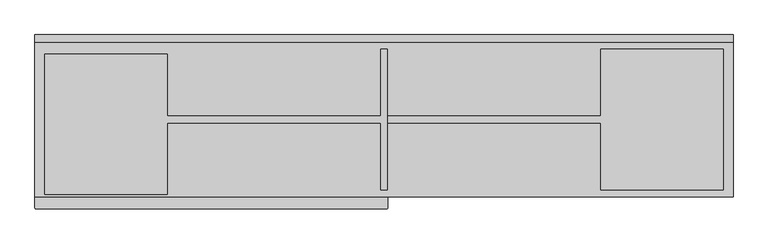
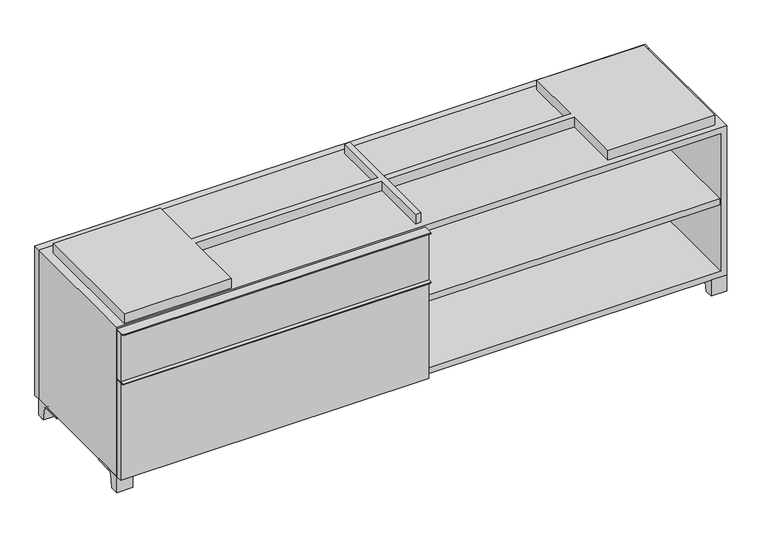
"""IFC4 building model written with IfcOpenShell, lengths in millimetres: furniture geometry."""

import ifcopenshell
import ifcopenshell.guid

model = None  # the IFC model being written
_history = None  # IfcOwnerHistory: only IFC2X3 demands one
_inside = {}  # id of a spatial element -> (the spatial element, [elements in it])
_under = {}  # id of a project, library or spatial element -> (it, [spatial elements below it])
_declared = {}  # id of a project -> (the project, [libraries it declares])
_typed = {}  # id of a type object -> (the type object, [elements of that type])
_made_of = {}  # id of a material, layer set ... -> (it, [elements and type objects made of it])


def new_model(schema):
    """Start an empty IFC model of exactly this schema.

    Asked for "IFC4X3", IfcOpenShell would pick the latest addendum, in which some entities
    have other attributes; the version numbers below select the first issue.
    IFC2X3 requires an IfcOwnerHistory on every rooted entity: one is made here for all.
    """
    global model, _history
    if schema == "IFC4X3":
        model = ifcopenshell.file(schema_version=(4, 3, 0, 0))
    else:
        model = ifcopenshell.file(schema=schema)
    _inside.clear()
    _under.clear()
    _declared.clear()
    _typed.clear()
    _made_of.clear()
    _history = None
    if model.schema == "IFC2X3":
        org = make("IfcOrganization", Name="unknown")
        user = make(
            "IfcPersonAndOrganization",
            ThePerson=make("IfcPerson", FamilyName="unknown"),
            TheOrganization=org,
        )
        app = make(
            "IfcApplication",
            ApplicationDeveloper=org,
            Version="unknown",
            ApplicationFullName="unknown",
            ApplicationIdentifier="unknown",
        )
        _history = make(
            "IfcOwnerHistory",
            OwningUser=user,
            OwningApplication=app,
            ChangeAction="ADDED",
            CreationDate=0,
        )
    return model


def make(cls, **values):
    """One entity of the class cls with the attributes given. An attribute that is None is left unset."""
    return model.create_entity(
        cls, **{name: value for name, value in values.items() if value is not None}
    )


def rooted(cls, **values):
    """An entity with a GlobalId (a new one), such as an element, a storey or a relation."""
    return make(cls, GlobalId=ifcopenshell.guid.new(), OwnerHistory=_history, **values)


def si_unit(unit_type, name, prefix=None):
    """IfcSIUnit, for example si_unit("LENGTHUNIT", "METRE", prefix="MILLI")."""
    return make("IfcSIUnit", UnitType=unit_type, Prefix=prefix, Name=name)


def assignment(units):
    """IfcUnitAssignment: the units of a project."""
    return None if units is None else make("IfcUnitAssignment", Units=units)


def point(xyz):
    """IfcCartesianPoint."""
    return None if xyz is None else make("IfcCartesianPoint", Coordinates=xyz)


def direction(xyz):
    """IfcDirection."""
    return None if xyz is None else make("IfcDirection", DirectionRatios=xyz)


def frame(location, z_axis=None, x_axis=None):
    """IfcAxis2Placement3D, a coordinate frame: its origin and axes. An axis left out is left unset."""
    return make(
        "IfcAxis2Placement3D",
        Location=point(location),
        Axis=direction(z_axis),
        RefDirection=direction(x_axis),
    )


def frame_2d(location, x_axis=None):
    """IfcAxis2Placement2D, a coordinate frame in the plane: its origin and x axis."""
    return make(
        "IfcAxis2Placement2D", Location=point(location), RefDirection=direction(x_axis)
    )


def origin():
    """The frame at (0, 0, 0) with its axes left unset."""
    return frame((0.0, 0.0, 0.0))


def place(relative_to, where):
    """IfcLocalPlacement: puts the frame where relative to a parent placement (None: the world)."""
    return make(
        "IfcLocalPlacement", PlacementRelTo=relative_to, RelativePlacement=where
    )


def context(
    kind, dimensions, precision=None, world=None, true_north=None, identifier=None
):
    """IfcGeometricRepresentationContext, for example the 3D "Model" context."""
    return make(
        "IfcGeometricRepresentationContext",
        ContextIdentifier=identifier,
        ContextType=kind,
        CoordinateSpaceDimension=dimensions,
        Precision=precision,
        WorldCoordinateSystem=world,
        TrueNorth=true_north,
    )


def project(units=None, contexts=None):
    """IfcProject with its units and contexts."""
    return rooted(
        "IfcProject",
        Name="project",
        RepresentationContexts=contexts,
        UnitsInContext=assignment(units),
    )


def spatial(cls, under=None, at=None, **own):
    """A site, building, storey or space (cls), placed at a placement, below another one or the project."""
    s = rooted(cls, ObjectPlacement=at, **own)
    if under is not None:
        _under.setdefault(under.id(), (under, []))[1].append(s)
    return s


def polyline(points):
    """IfcPolyline through the points."""
    return make("IfcPolyline", Points=[point(p) for p in points])


def circle_curve(where, radius):
    """IfcCircle in the frame where."""
    return make("IfcCircle", Position=where, Radius=radius)


def trimmed(basis, trim1, trim2, sense, master):
    """IfcTrimmedCurve: the piece of a basis curve between two trims."""
    return make(
        "IfcTrimmedCurve",
        BasisCurve=basis,
        Trim1=trim1,
        Trim2=trim2,
        SenseAgreement=sense,
        MasterRepresentation=master,
    )


def segment(curve, same_sense, transition):
    """IfcCompositeCurveSegment."""
    return make(
        "IfcCompositeCurveSegment",
        Transition=transition,
        SameSense=same_sense,
        ParentCurve=curve,
    )


def composite_curve(segments, self_intersect=None):
    """IfcCompositeCurve: segments joined end to end."""
    return make("IfcCompositeCurve", Segments=segments, SelfIntersect=self_intersect)


def outline(outer, holes=None, kind="AREA"):
    """IfcArbitraryClosedProfileDef: a profile drawn as a closed curve; with holes, ...WithVoids."""
    if holes is None:
        return make("IfcArbitraryClosedProfileDef", ProfileType=kind, OuterCurve=outer)
    return make(
        "IfcArbitraryProfileDefWithVoids",
        ProfileType=kind,
        OuterCurve=outer,
        InnerCurves=holes,
    )


def extrude(swept, where, along, depth):
    """IfcExtrudedAreaSolid: the profile swept, set in the frame where, extruded along a direction by depth."""
    return make(
        "IfcExtrudedAreaSolid",
        SweptArea=swept,
        Position=where,
        ExtrudedDirection=direction(along),
        Depth=depth,
    )


def shape(context_of_items, identifier, shape_type, items):
    """IfcShapeRepresentation: the items that make up one representation, for example the "Body"."""
    return make(
        "IfcShapeRepresentation",
        ContextOfItems=context_of_items,
        RepresentationIdentifier=identifier,
        RepresentationType=shape_type,
        Items=items,
    )


def source(mapping_origin, context_of_items, identifier, shape_type, items):
    """IfcRepresentationMap: a shape defined once, which mapped items show again and again."""
    return make(
        "IfcRepresentationMap",
        MappingOrigin=mapping_origin,
        MappedRepresentation=shape(context_of_items, identifier, shape_type, items),
    )


def transform(
    local_origin,
    x_axis=None,
    y_axis=None,
    z_axis=None,
    scale=None,
    scale2=None,
    scale3=None,
    uniform=True,
):
    """IfcCartesianTransformationOperator3D, or its non-uniform kind. x_axis, y_axis, z_axis: its Axis1, 2, 3."""
    if uniform:
        return make(
            "IfcCartesianTransformationOperator3D",
            Axis1=direction(x_axis),
            Axis2=direction(y_axis),
            LocalOrigin=point(local_origin),
            Scale=scale,
            Axis3=direction(z_axis),
        )
    return make(
        "IfcCartesianTransformationOperator3DnonUniform",
        Axis1=direction(x_axis),
        Axis2=direction(y_axis),
        LocalOrigin=point(local_origin),
        Scale=scale,
        Axis3=direction(z_axis),
        Scale2=scale2,
        Scale3=scale3,
    )


def mapped(mapping_source, mapping_target):
    """IfcMappedItem: shows the shape of a source again, moved by a transform."""
    return make(
        "IfcMappedItem", MappingSource=mapping_source, MappingTarget=mapping_target
    )


def made_of(thing, what):
    """Note that an element or type object is made of a material, layer set ...; save() writes the relation."""
    if what is not None:
        _made_of.setdefault(what.id(), (what, []))[1].append(thing)
    return thing


def element(
    cls,
    number,
    at=None,
    inside=None,
    cuts=None,
    type_object=None,
    material=None,
    context=None,
    identifier="Body",
    shape_type=None,
    held_by="IfcProductDefinitionShape",
    body=None,
    shapes=None,
    **own,
):
    """One element of the class cls, such as IfcWall. Its Tag is "e" and its number.

    at: its placement. inside: the storey or other place that contains it. cuts: it is an
    opening in that element (IfcRelVoidsElement). A single representation is given by context,
    identifier, shape_type and body (its items); several are given by shapes. held_by: the class
    of the entity that holds the representations. save() writes the other relations.
    """
    e = rooted(cls, Tag="e%d" % number, ObjectPlacement=at, **own)
    if body is not None:
        shapes = [shape(context, identifier, shape_type, body)]
    if shapes is not None:
        e.Representation = make(held_by, Representations=shapes)
    if inside is not None:
        _inside.setdefault(inside.id(), (inside, []))[1].append(e)
    if cuts is not None:
        rooted(
            "IfcRelVoidsElement", RelatingBuildingElement=cuts, RelatedOpeningElement=e
        )
    if type_object is not None:
        _typed.setdefault(type_object.id(), (type_object, []))[1].append(e)
    return made_of(e, material)


def aggregate(whole, parts):
    """IfcRelAggregates: a whole, such as a stair, and the parts it consists of."""
    return rooted("IfcRelAggregates", RelatingObject=whole, RelatedObjects=parts)


def save(model, path):
    """Write the relations noted so far, then the file.

    IfcRelAggregates (storeys below a building ...), IfcRelContainedInSpatialStructure (elements
    in a storey), IfcRelDefinesByType, IfcRelAssociatesMaterial and IfcRelDeclares: one each for
    every whole, place, type object, material and project.
    """
    for whole, parts in _under.values():
        aggregate(whole, parts)
    for where, things in _inside.values():
        rooted(
            "IfcRelContainedInSpatialStructure",
            RelatedElements=things,
            RelatingStructure=where,
        )
    for kind, things in _typed.values():
        rooted("IfcRelDefinesByType", RelatedObjects=things, RelatingType=kind)
    for what, things in _made_of.values():
        rooted("IfcRelAssociatesMaterial", RelatedObjects=things, RelatingMaterial=what)
    for by, libraries in _declared.values():
        rooted("IfcRelDeclares", RelatingContext=by, RelatedDefinitions=libraries)
    model.write(path)


def furniture_5fb96c9f(model_context):
    return source(origin(), model_context, "Body", "SweptSolid", [
        extrude(outline(polyline([(-9.5111094, 234.95), (-9.5111094, -136.525), (-895.3361094, -136.525), (-895.3361094, 234.95), (-9.5111094, 234.95)])), frame((0.0, 0.0, 354.0125), z_axis=(0.0, 0.0, 1.0), x_axis=(1.0, 0.0, 0.0)), (0.0, 0.0, 1.0), 19.05),
        extrude(outline(composite_curve([segment(polyline([(9.5388906, -139.7), (9.5388906, -168.275)]), True, "CONTINUOUS"), segment(trimmed(circle_curve(frame_2d((6.3638906, -168.275)), 3.175), [point((9.5388906, -168.275))], [point((6.3638906, -171.45))], False, "CARTESIAN"), True, "CONTINUOUS"), segment(polyline([(6.3638906, -171.45), (-911.2111094, -171.45)]), True, "CONTINUOUS"), segment(trimmed(circle_curve(frame_2d((-911.2111094, -168.275)), 3.175), [point((-911.2111094, -171.45))], [point((-914.3861094, -168.275))], False, "CARTESIAN"), True, "CONTINUOUS"), segment(polyline([(-914.3861094, -168.275), (-914.3861094, -139.7), (9.5388906, -139.7)]), True, "CONTINUOUS")], self_intersect=False)), frame((0.0, 0.0, 517.525), z_axis=(0.0, 0.0, 1.0), x_axis=(1.0, 0.0, 0.0)), (0.0, 0.0, 1.0), 2.38125),
        extrude(outline(polyline([(9.5388906, -139.7), (9.5388906, -158.75), (-914.3861094, -158.75), (-914.3861094, -139.7), (9.5388906, -139.7)])), frame((0.0, 0.0, 363.5375), z_axis=(0.0, 0.0, 1.0), x_axis=(1.0, 0.0, 0.0)), (0.0, 0.0, 1.0), 153.9875),
        extrude(outline(composite_curve([segment(polyline([(9.5388906, -139.7), (9.5388906, -168.275)]), True, "CONTINUOUS"), segment(trimmed(circle_curve(frame_2d((6.3638906, -168.275)), 3.175), [point((9.5388906, -168.275))], [point((6.3638906, -171.45))], False, "CARTESIAN"), True, "CONTINUOUS"), segment(polyline([(6.3638906, -171.45), (-911.2111094, -171.45)]), True, "CONTINUOUS"), segment(trimmed(circle_curve(frame_2d((-911.2111094, -168.275)), 3.175), [point((-911.2111094, -171.45))], [point((-914.3861094, -168.275))], False, "CARTESIAN"), True, "CONTINUOUS"), segment(polyline([(-914.3861094, -168.275), (-914.3861094, -139.7), (9.5388906, -139.7)]), True, "CONTINUOUS")], self_intersect=False)), frame((0.0, 0.0, 361.15625), z_axis=(0.0, 0.0, 1.0), x_axis=(1.0, 0.0, 0.0)), (0.0, 0.0, 1.0), 2.38125),
        extrude(outline(polyline([(9.5388906, -139.7), (9.5388906, -158.75), (-914.3861094, -158.75), (-914.3861094, -139.7), (9.5388906, -139.7)])), frame((0.0, 0.0, 50.8), z_axis=(0.0, 0.0, 1.0), x_axis=(1.0, 0.0, 0.0)), (0.0, 0.0, 1.0), 310.35625),
        extrude(outline(polyline([(895.3569453, 234.95), (895.3569453, -136.525), (9.5319453, -136.525), (9.5319453, 234.95), (895.3569453, 234.95)])), frame((0.0, 0.0, 277.8125), z_axis=(0.0, 0.0, 1.0), x_axis=(1.0, 0.0, 0.0)), (0.0, 0.0, 1.0), 19.05),
        extrude(outline(composite_curve([segment(polyline([(53.9749864, 0.0), (28.575, 0.0), (28.575, 50.8), (123.825, 50.8), (123.825, 46.0213321), (67.0244655, 46.0213321)]), True, "CONTINUOUS"), segment(trimmed(circle_curve(frame_2d((67.0244655, 39.6713321)), 6.35), [point((67.0244655, 46.0213321))], [point((60.7608641, 40.7152656))], True, "CARTESIAN"), True, "CONTINUOUS"), segment(polyline([(60.7608641, 40.7152656), (53.9749864, 0.0)]), True, "CONTINUOUS")], self_intersect=False)), frame((-23.7986094, 0.0, 0.0), z_axis=(1.0, 0.0, 0.0), x_axis=(0.0, 1.0, 0.0)), (0.0, 0.0, 1.0), 47.625),
        extrude(outline(composite_curve([segment(polyline([(-114.3000136, 0.0), (-139.7, 0.0), (-139.7, 50.8), (-44.45, 50.8), (-44.45, 46.0213321), (-101.2505345, 46.0213321)]), True, "CONTINUOUS"), segment(trimmed(circle_curve(frame_2d((-101.2505345, 39.6713321)), 6.35), [point((-101.2505345, 46.0213321))], [point((-107.5141359, 40.7152656))], True, "CARTESIAN"), True, "CONTINUOUS"), segment(polyline([(-107.5141359, 40.7152656), (-114.3000136, 0.0)]), True, "CONTINUOUS")], self_intersect=False)), frame((866.7888906, 0.0, 0.0), z_axis=(1.0, 0.0, 0.0), x_axis=(0.0, 1.0, 0.0)), (0.0, 0.0, 1.0), 47.625),
        extrude(outline(composite_curve([segment(polyline([(241.3000136, 0.0), (234.5141359, 40.7152656)]), True, "CONTINUOUS"), segment(trimmed(circle_curve(frame_2d((228.2505345, 39.6713321)), 6.35), [point((234.5141359, 40.7152656))], [point((228.2505345, 46.0213321))], True, "CARTESIAN"), True, "CONTINUOUS"), segment(polyline([(228.2505345, 46.0213321), (171.45, 46.0213321), (171.45, 50.8), (266.7, 50.8), (266.7, 0.0), (241.3000136, 0.0)]), True, "CONTINUOUS")], self_intersect=False)), frame((866.7888906, 0.0, 0.0), z_axis=(1.0, 0.0, 0.0), x_axis=(0.0, 1.0, 0.0)), (0.0, 0.0, 1.0), 47.625),
        extrude(outline(composite_curve([segment(polyline([(-114.3000136, 0.0), (-139.7, 0.0), (-139.7, 50.8), (-44.45, 50.8), (-44.45, 46.0213321), (-101.2505345, 46.0213321)]), True, "CONTINUOUS"), segment(trimmed(circle_curve(frame_2d((-101.2505345, 39.6713321)), 6.35), [point((-101.2505345, 46.0213321))], [point((-107.5141359, 40.7152656))], True, "CARTESIAN"), True, "CONTINUOUS"), segment(polyline([(-107.5141359, 40.7152656), (-114.3000136, 0.0)]), True, "CONTINUOUS")], self_intersect=False)), frame((-914.3861094, 0.0, 0.0), z_axis=(1.0, 0.0, 0.0), x_axis=(0.0, 1.0, 0.0)), (0.0, 0.0, 1.0), 47.625),
        extrude(outline(composite_curve([segment(polyline([(241.3000136, 0.0), (234.5141359, 40.7152656)]), True, "CONTINUOUS"), segment(trimmed(circle_curve(frame_2d((228.2505345, 39.6713321)), 6.35), [point((234.5141359, 40.7152656))], [point((228.2505345, 46.0213321))], True, "CARTESIAN"), True, "CONTINUOUS"), segment(polyline([(228.2505345, 46.0213321), (171.45, 46.0213321), (171.45, 50.8), (266.7, 50.8), (266.7, 0.0), (241.3000136, 0.0)]), True, "CONTINUOUS")], self_intersect=False)), frame((-914.3861094, 0.0, 0.0), z_axis=(1.0, 0.0, 0.0), x_axis=(0.0, 1.0, 0.0)), (0.0, 0.0, 1.0), 47.625),
        extrude(outline(polyline([(-888.9791641, -133.35), (-888.9791641, 234.95), (-568.3041641, 234.95), (-568.3041641, 73.025), (-7.9236094, 73.025), (-7.9236094, 247.65), (7.9513906, 247.65), (7.9513906, -120.65), (-7.9236094, -120.65), (-7.9236094, 53.975), (-568.3041641, 53.975), (-568.3041641, -133.35), (-888.9791641, -133.35)])), frame((0.0, 0.0, 523.875), z_axis=(0.0, 0.0, 1.0), x_axis=(1.0, 0.0, 0.0)), (0.0, 0.0, 1.0), 30.1625),
        extrude(outline(polyline([(9.5388906, 73.025), (568.3111094, 73.025), (568.3111094, 247.65), (888.9861094, 247.65), (888.9861094, -120.65), (568.3111094, -120.65), (568.3111094, 53.975), (9.5388906, 53.975), (9.5388906, 73.025)])), frame((0.0, 0.0, 523.875), z_axis=(0.0, 0.0, 1.0), x_axis=(1.0, 0.0, 0.0)), (0.0, 0.0, 1.0), 30.1625),
        extrude(outline(polyline([(9.5388906, 234.95), (9.5388906, -139.7), (-9.5111094, -139.7), (-9.5111094, 234.95), (9.5388906, 234.95)])), frame((0.0, 0.0, 69.85), z_axis=(0.0, 0.0, 1.0), x_axis=(1.0, 0.0, 0.0)), (0.0, 0.0, 1.0), 434.975),
        extrude(outline(polyline([(914.4138906, 266.7), (-914.3861094, 266.7), (-914.3861094, 285.75), (914.4138906, 285.75), (914.4138906, 266.7)])), frame((0.0, 0.0, 50.8), z_axis=(0.0, 0.0, 1.0), x_axis=(1.0, 0.0, 0.0)), (0.0, 0.0, 1.0), 473.075),
        extrude(outline(polyline([(50.8, -914.3861094), (50.8, 914.4), (523.875, 914.4), (523.875, -914.3861094), (50.8, -914.3861094)]), holes=[polyline([(69.85, -895.3361094), (504.825, -895.3361094), (504.825, 895.3361094), (69.85, 895.3361094), (69.85, -895.3361094)])]), frame((0.0, -139.7, 0.0), z_axis=(0.0, 1.0, 0.0), x_axis=(0.0, 0.0, 1.0)), (0.0, 0.0, 1.0), 406.4),
        extrude(outline(polyline([(-895.3291641, 234.95), (-895.3291641, 241.3), (895.3569453, 241.3), (895.3569453, 234.95), (-895.3291641, 234.95)])), frame((0.0, 0.0, 69.85), z_axis=(0.0, 0.0, 1.0), x_axis=(1.0, 0.0, 0.0)), (0.0, 0.0, 1.0), 434.975),
    ])


if __name__ == "__main__":
    model = new_model("IFC4")
    model_context = context("Model", 3, world=origin())
    ifc_project = project(units=[si_unit("LENGTHUNIT", "METRE", prefix="MILLI")], contexts=[model_context])
    site = spatial("IfcSite", under=ifc_project)
    building = spatial("IfcBuilding", under=site)
    placement = place(None, origin())
    furniture_shape = furniture_5fb96c9f(model_context)
    element("IfcFurniture", 1, at=placement, inside=building, context=model_context, shape_type="MappedRepresentation", body=[
        mapped(furniture_shape, transform((0.0, 0.0, 0.0), x_axis=(1.0, 0.0, 0.0), y_axis=(0.0, 1.0, 0.0), z_axis=(0.0, 0.0, 1.0))),
    ])
    save(model, "model.ifc")
